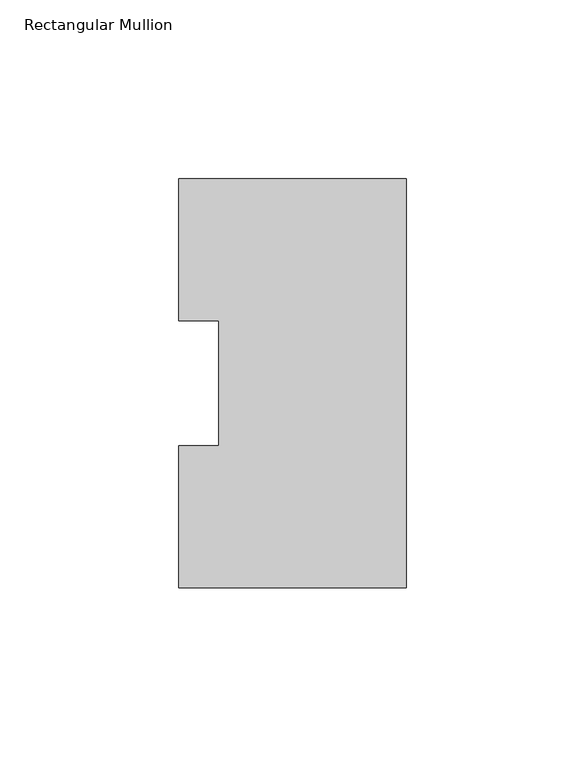
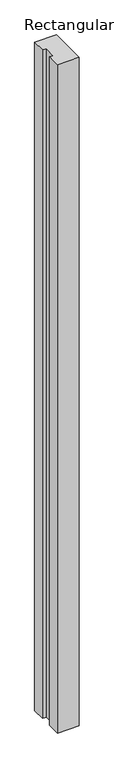
"""IFC4 building model written with IfcOpenShell, lengths in millimetres: member geometry, Rectangular Mullion."""

from ifc_helpers import new_model, si_unit, frame, origin, place, context, project, spatial, polyline, outline, extrude, source, transform, mapped, element, save


def rectangular_mullion_7c2ebd2f(model_context):
    return source(origin(), model_context, "Body", "SweptSolid", [
        extrude(outline(polyline([(0.0, 114.271425), (0.0, -0.028575), (-63.5, -0.028575), (-63.5, 39.646225), (-52.3875, 39.646225), (-52.3875, 74.596625), (-63.5, 74.596625), (-63.5, 114.271425), (0.0, 114.271425)])), frame((0.0, 0.0, -2063.7499762), z_axis=(0.0, 0.0, 1.0), x_axis=(1.0, 0.0, 0.0)), (0.0, 0.0, 1.0), 2063.7499762),
    ])


if __name__ == "__main__":
    model = new_model("IFC4")
    model_context = context("Model", 3, world=origin())
    ifc_project = project(units=[si_unit("LENGTHUNIT", "METRE", prefix="MILLI")], contexts=[model_context])
    site = spatial("IfcSite", under=ifc_project)
    building = spatial("IfcBuilding", under=site)
    placement = place(None, origin())
    rectangular_mullion_shape = rectangular_mullion_7c2ebd2f(model_context)
    element("IfcMember", 1, ObjectType="Rectangular Mullion", at=placement, inside=building, context=model_context, shape_type="MappedRepresentation", body=[
        mapped(rectangular_mullion_shape, transform((0.0, 0.0, 0.0), x_axis=(1.0, 0.0, 0.0), y_axis=(0.0, 1.0, 0.0), z_axis=(0.0, 0.0, 1.0))),
    ])
    save(model, "model.ifc")
